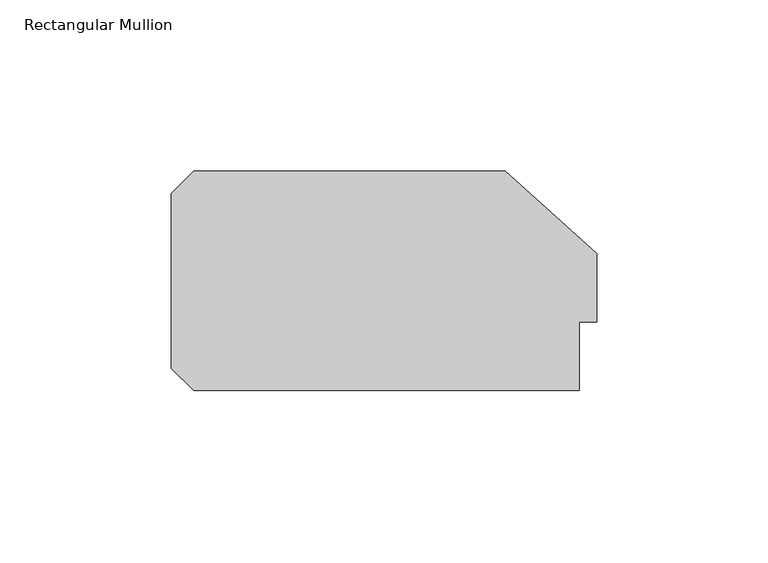
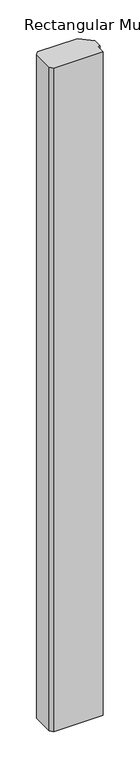
"""IFC4 building model written with IfcOpenShell, lengths in millimetres: member geometry, Rectangular Mullion."""

from ifc_helpers import new_model, si_unit, frame, origin, place, context, project, spatial, polyline, outline, extrude, source, transform, mapped, element, save


def rectangular_mullion_a3e3eb19(model_context):
    return source(origin(), model_context, "Body", "SweptSolid", [
        extrude(outline(polyline([(-5.0, 20.0), (-5.0, 0.0), (-117.5, 0.0), (-124.0, 6.5), (-124.0, 57.5), (-117.5, 64.0), (-26.6547004, 64.0), (0.0, 40.0), (0.0, 20.0), (-5.0, 20.0)])), frame((0.0, 0.0, -1600.0000001), z_axis=(0.0, 0.0, 1.0), x_axis=(1.0, 0.0, 0.0)), (0.0, 0.0, 1.0), 1600.0000001),
    ])


if __name__ == "__main__":
    model = new_model("IFC4")
    model_context = context("Model", 3, world=origin())
    ifc_project = project(units=[si_unit("LENGTHUNIT", "METRE", prefix="MILLI")], contexts=[model_context])
    site = spatial("IfcSite", under=ifc_project)
    building = spatial("IfcBuilding", under=site)
    placement = place(None, origin())
    rectangular_mullion_shape = rectangular_mullion_a3e3eb19(model_context)
    element("IfcMember", 1, ObjectType="Rectangular Mullion", at=placement, inside=building, context=model_context, shape_type="MappedRepresentation", body=[
        mapped(rectangular_mullion_shape, transform((0.0, 0.0, 0.0), x_axis=(1.0, 0.0, 0.0), y_axis=(0.0, 1.0, 0.0), z_axis=(0.0, 0.0, 1.0))),
    ])
    save(model, "model.ifc")
